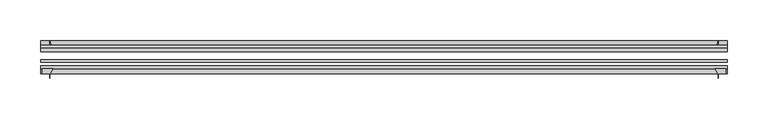
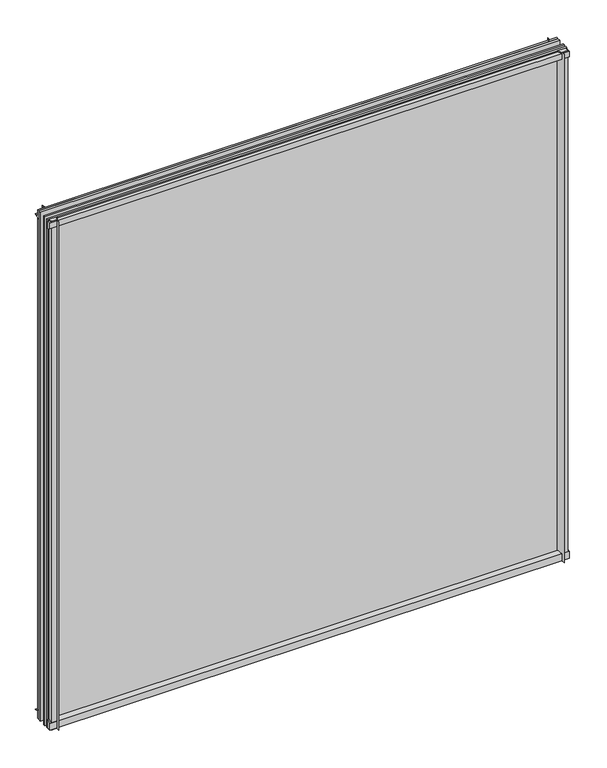
"""IFC4 building model written with IfcOpenShell, lengths in millimetres: plate geometry."""

from ifc_helpers import new_model, si_unit, point, frame, frame_2d, origin, place, context, project, spatial, polyline, circle_curve, trimmed, segment, composite_curve, outline, extrude, source, transform, mapped, element, save


def plate_50a210f8(model_context):
    return source(origin(), model_context, "Body", "SweptSolid", [
        extrude(outline(composite_curve([segment(trimmed(circle_curve(frame_2d((-80.4922797, 17.8701603)), 18.6769817), [point((-74.641075, 0.1333891))], [point((-68.291075, 3.72943))], True, "CARTESIAN"), True, "CONTINUOUS"), segment(polyline([(-68.291075, 3.72943), (-68.291075, -11.11885), (-74.641075, -11.11885), (-74.641075, 0.1333891)]), True, "CONTINUOUS")], self_intersect=False)), frame((-423.8625, 0.0, 0.0), z_axis=(1.0, 0.0, 0.0), x_axis=(0.0, 1.0, 0.0)), (0.0, 0.0, 1.0), 847.725),
        extrude(outline(composite_curve([segment(polyline([(-42.891075, -11.90625), (-42.891075, 3.8539528)]), True, "CONTINUOUS"), segment(trimmed(circle_curve(frame_2d((-26.637892, 29.5913262)), 30.4397495), [point((-42.891075, 3.8539528))], [point((-33.7745413, 0.0))], True, "CARTESIAN"), True, "CONTINUOUS"), segment(polyline([(-33.7745413, 0.0), (-39.690675, 0.0), (-39.690675, -11.90625), (-42.891075, -11.90625)]), True, "CONTINUOUS")], self_intersect=False)), frame((-423.8625, 0.0, 0.0), z_axis=(1.0, 0.0, 0.0), x_axis=(0.0, 1.0, 0.0)), (0.0, 0.0, 1.0), 847.725),
        extrude(outline(composite_curve([segment(polyline([(-42.891075, 850.2083472), (-42.891075, 865.1875), (-39.690675, 865.1875), (-39.690675, 854.075), (-33.721675, 854.075)]), True, "CONTINUOUS"), segment(trimmed(circle_curve(frame_2d((-26.637892, 824.4709738)), 30.4397495), [point((-33.721675, 854.075))], [point((-42.891075, 850.2083472))], True, "CARTESIAN"), True, "CONTINUOUS")], self_intersect=False)), frame((-423.8625, 0.0, 0.0), z_axis=(1.0, 0.0, 0.0), x_axis=(0.0, 1.0, 0.0)), (0.0, 0.0, 1.0), 847.725),
        extrude(outline(composite_curve([segment(polyline([(-68.291075, 862.8126), (-68.291075, 849.53912)]), True, "CONTINUOUS"), segment(trimmed(circle_curve(frame_2d((-80.4922797, 835.3983897)), 18.6769817), [point((-68.291075, 849.53912))], [point((-74.641075, 853.1351609))], True, "CARTESIAN"), True, "CONTINUOUS"), segment(polyline([(-74.641075, 853.1351609), (-74.641075, 862.8126), (-68.291075, 862.8126)]), True, "CONTINUOUS")], self_intersect=False)), frame((-423.8625, 0.0, 0.0), z_axis=(1.0, 0.0, 0.0), x_axis=(0.0, 1.0, 0.0)), (0.0, 0.0, 1.0), 847.725),
        extrude(outline(composite_curve([segment(polyline([(408.21412, -68.291075), (421.4876, -68.291075), (421.4876, -74.641075), (412.75, -74.641075), (412.75, -80.3744844)]), True, "CONTINUOUS"), segment(trimmed(circle_curve(frame_2d((394.0733897, -80.4922797)), 18.6769817), [point((412.75, -80.3744844))], [point((408.21412, -68.291075))], True, "CARTESIAN"), True, "CONTINUOUS")], self_intersect=False)), frame((0.0, 0.0, -11.90625), z_axis=(0.0, 0.0, 1.0), x_axis=(1.0, 0.0, 0.0)), (0.0, 0.0, 1.0), 877.09375),
        extrude(outline(composite_curve([segment(trimmed(circle_curve(frame_2d((383.1459738, -26.637892)), 30.4397495), [point((408.8833472, -42.891075))], [point((412.75, -33.721675))], True, "CARTESIAN"), True, "CONTINUOUS"), segment(polyline([(412.75, -33.721675), (412.75, -39.690675), (423.8625, -39.690675), (423.8625, -42.891075), (408.8833472, -42.891075)]), True, "CONTINUOUS")], self_intersect=False)), frame((0.0, 0.0, -11.90625), z_axis=(0.0, 0.0, 1.0), x_axis=(1.0, 0.0, 0.0)), (0.0, 0.0, 1.0), 877.09375),
        extrude(outline(composite_curve([segment(trimmed(circle_curve(frame_2d((-394.0733897, -80.4922797)), 18.6769817), [point((-408.21412, -68.291075))], [point((-412.75, -80.3744844))], True, "CARTESIAN"), True, "CONTINUOUS"), segment(polyline([(-412.75, -80.3744844), (-412.75, -74.641075), (-421.4876, -74.641075), (-421.4876, -68.291075), (-408.21412, -68.291075)]), True, "CONTINUOUS")], self_intersect=False)), frame((0.0, 0.0, -11.90625), z_axis=(0.0, 0.0, 1.0), x_axis=(1.0, 0.0, 0.0)), (0.0, 0.0, 1.0), 877.09375),
        extrude(outline(composite_curve([segment(polyline([(-408.8833472, -42.891075), (-423.8625, -42.891075), (-423.8625, -39.690675), (-412.75, -39.690675), (-412.75, -33.721675)]), True, "CONTINUOUS"), segment(trimmed(circle_curve(frame_2d((-383.1459738, -26.637892)), 30.4397495), [point((-412.75, -33.721675))], [point((-408.8833472, -42.891075))], True, "CARTESIAN"), True, "CONTINUOUS")], self_intersect=False)), frame((0.0, 0.0, -11.90625), z_axis=(0.0, 0.0, 1.0), x_axis=(1.0, 0.0, 0.0)), (0.0, 0.0, 1.0), 877.09375),
        extrude(outline(polyline([(-423.8625, -42.891075), (423.8625, -42.891075), (423.8625, -47.653575), (-423.8625, -47.653575), (-423.8625, -42.891075)])), frame((0.0, 0.0, -11.90625), z_axis=(0.0, 0.0, 1.0), x_axis=(1.0, 0.0, 0.0)), (0.0, 0.0, 1.0), 877.09375),
        extrude(outline(polyline([(423.8625, -57.369075), (423.8625, -60.544075), (-423.8625, -60.544075), (-423.8625, -57.369075), (423.8625, -57.369075)])), frame((0.0, 0.0, -11.90625), z_axis=(0.0, 0.0, 1.0), x_axis=(1.0, 0.0, 0.0)), (0.0, 0.0, 1.0), 877.09375),
        extrude(outline(polyline([(-423.8625, -65.116075), (423.8625, -65.116075), (423.8625, -68.291075), (-423.8625, -68.291075), (-423.8625, -65.116075)])), frame((0.0, 0.0, -11.90625), z_axis=(0.0, 0.0, 1.0), x_axis=(1.0, 0.0, 0.0)), (0.0, 0.0, 1.0), 877.09375),
    ])


if __name__ == "__main__":
    model = new_model("IFC4")
    model_context = context("Model", 3, world=origin())
    ifc_project = project(units=[si_unit("LENGTHUNIT", "METRE", prefix="MILLI")], contexts=[model_context])
    site = spatial("IfcSite", under=ifc_project)
    building = spatial("IfcBuilding", under=site)
    placement = place(None, origin())
    plate_shape = plate_50a210f8(model_context)
    element("IfcPlate", 1, at=placement, inside=building, context=model_context, shape_type="MappedRepresentation", body=[
        mapped(plate_shape, transform((0.0, 0.0, 0.0), x_axis=(1.0, 0.0, 0.0), y_axis=(0.0, 1.0, 0.0), z_axis=(0.0, 0.0, 1.0))),
    ])
    save(model, "model.ifc")
